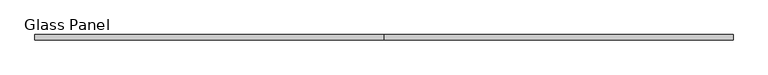
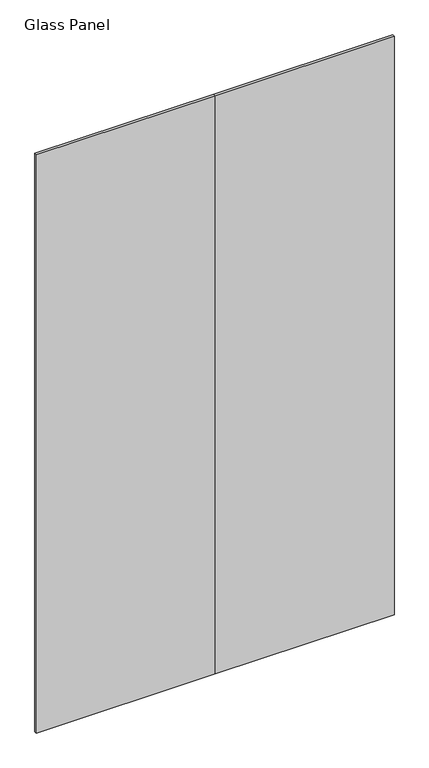
"""IFC4 building model written with IfcOpenShell, lengths in millimetres: proxy geometry, Glass Panel."""

from ifc_helpers import new_model, si_unit, origin, origin_with_axes, place, context, project, spatial, polyline, outline, extrude, source, transform, mapped, element, save


def glass_panel_d213ec72(model_context):
    return source(origin(), model_context, "Body", "SweptSolid", [
        extrude(outline(polyline([(784.6517386, 4.9859375), (784.6517386, -7.7140625), (-79.7559107, -7.7140625), (-79.7559107, 4.9859375), (784.6517386, 4.9859375)])), origin_with_axes(), (0.0, 0.0, 1.0), 2958.7636),
        extrude(outline(polyline([(-946.19556, -7.7140625), (-946.19556, 4.9859375), (-81.7879107, 4.9859375), (-81.7879107, -7.7140625), (-946.19556, -7.7140625)])), origin_with_axes(), (0.0, 0.0, 1.0), 2958.7636),
    ])


if __name__ == "__main__":
    model = new_model("IFC4")
    model_context = context("Model", 3, world=origin())
    ifc_project = project(units=[si_unit("LENGTHUNIT", "METRE", prefix="MILLI")], contexts=[model_context])
    site = spatial("IfcSite", under=ifc_project)
    building = spatial("IfcBuilding", under=site)
    placement = place(None, origin())
    glass_panel_shape = glass_panel_d213ec72(model_context)
    element("IfcBuildingElementProxy", 1, Name="Glass Panel", ObjectType="Glass Panel", at=placement, inside=building, context=model_context, shape_type="MappedRepresentation", body=[
        mapped(glass_panel_shape, transform((0.0, 0.0, 0.0), x_axis=(1.0, 0.0, 0.0), y_axis=(0.0, 1.0, 0.0), z_axis=(0.0, 0.0, 1.0))),
    ])
    save(model, "model.ifc")
